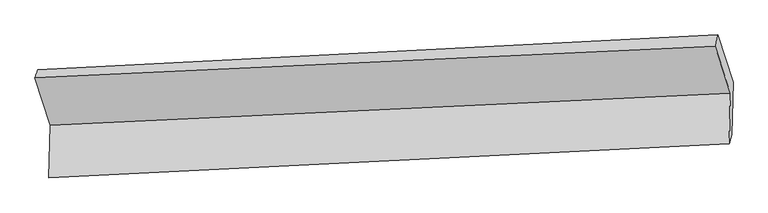
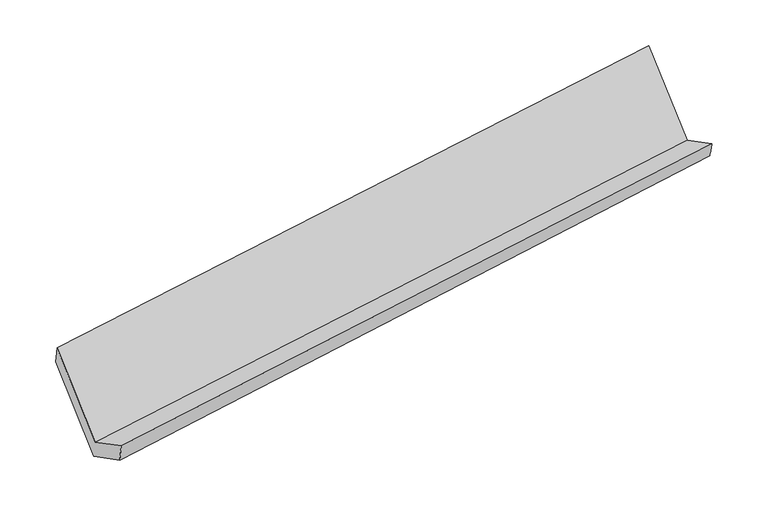
"""IFC4 building model written with IfcOpenShell, lengths in millimetres: proxy geometry."""

import ifcopenshell
import ifcopenshell.guid

model = None  # the IFC model being written
_history = None  # IfcOwnerHistory: only IFC2X3 demands one
_inside = {}  # id of a spatial element -> (the spatial element, [elements in it])
_under = {}  # id of a project, library or spatial element -> (it, [spatial elements below it])
_declared = {}  # id of a project -> (the project, [libraries it declares])
_typed = {}  # id of a type object -> (the type object, [elements of that type])
_made_of = {}  # id of a material, layer set ... -> (it, [elements and type objects made of it])


def new_model(schema):
    """Start an empty IFC model of exactly this schema.

    Asked for "IFC4X3", IfcOpenShell would pick the latest addendum, in which some entities
    have other attributes; the version numbers below select the first issue.
    IFC2X3 requires an IfcOwnerHistory on every rooted entity: one is made here for all.
    """
    global model, _history
    if schema == "IFC4X3":
        model = ifcopenshell.file(schema_version=(4, 3, 0, 0))
    else:
        model = ifcopenshell.file(schema=schema)
    _inside.clear()
    _under.clear()
    _declared.clear()
    _typed.clear()
    _made_of.clear()
    _history = None
    if model.schema == "IFC2X3":
        org = make("IfcOrganization", Name="unknown")
        user = make(
            "IfcPersonAndOrganization",
            ThePerson=make("IfcPerson", FamilyName="unknown"),
            TheOrganization=org,
        )
        app = make(
            "IfcApplication",
            ApplicationDeveloper=org,
            Version="unknown",
            ApplicationFullName="unknown",
            ApplicationIdentifier="unknown",
        )
        _history = make(
            "IfcOwnerHistory",
            OwningUser=user,
            OwningApplication=app,
            ChangeAction="ADDED",
            CreationDate=0,
        )
    return model


def make(cls, **values):
    """One entity of the class cls with the attributes given. An attribute that is None is left unset."""
    return model.create_entity(
        cls, **{name: value for name, value in values.items() if value is not None}
    )


def rooted(cls, **values):
    """An entity with a GlobalId (a new one), such as an element, a storey or a relation."""
    return make(cls, GlobalId=ifcopenshell.guid.new(), OwnerHistory=_history, **values)


def si_unit(unit_type, name, prefix=None):
    """IfcSIUnit, for example si_unit("LENGTHUNIT", "METRE", prefix="MILLI")."""
    return make("IfcSIUnit", UnitType=unit_type, Prefix=prefix, Name=name)


def assignment(units):
    """IfcUnitAssignment: the units of a project."""
    return None if units is None else make("IfcUnitAssignment", Units=units)


def point(xyz):
    """IfcCartesianPoint."""
    return None if xyz is None else make("IfcCartesianPoint", Coordinates=xyz)


def direction(xyz):
    """IfcDirection."""
    return None if xyz is None else make("IfcDirection", DirectionRatios=xyz)


def frame(location, z_axis=None, x_axis=None):
    """IfcAxis2Placement3D, a coordinate frame: its origin and axes. An axis left out is left unset."""
    return make(
        "IfcAxis2Placement3D",
        Location=point(location),
        Axis=direction(z_axis),
        RefDirection=direction(x_axis),
    )


def origin():
    """The frame at (0, 0, 0) with its axes left unset."""
    return frame((0.0, 0.0, 0.0))


def place(relative_to, where):
    """IfcLocalPlacement: puts the frame where relative to a parent placement (None: the world)."""
    return make(
        "IfcLocalPlacement", PlacementRelTo=relative_to, RelativePlacement=where
    )


def context(
    kind, dimensions, precision=None, world=None, true_north=None, identifier=None
):
    """IfcGeometricRepresentationContext, for example the 3D "Model" context."""
    return make(
        "IfcGeometricRepresentationContext",
        ContextIdentifier=identifier,
        ContextType=kind,
        CoordinateSpaceDimension=dimensions,
        Precision=precision,
        WorldCoordinateSystem=world,
        TrueNorth=true_north,
    )


def project(units=None, contexts=None):
    """IfcProject with its units and contexts."""
    return rooted(
        "IfcProject",
        Name="project",
        RepresentationContexts=contexts,
        UnitsInContext=assignment(units),
    )


def spatial(cls, under=None, at=None, **own):
    """A site, building, storey or space (cls), placed at a placement, below another one or the project."""
    s = rooted(cls, ObjectPlacement=at, **own)
    if under is not None:
        _under.setdefault(under.id(), (under, []))[1].append(s)
    return s


def shape(context_of_items, identifier, shape_type, items):
    """IfcShapeRepresentation: the items that make up one representation, for example the "Body"."""
    return make(
        "IfcShapeRepresentation",
        ContextOfItems=context_of_items,
        RepresentationIdentifier=identifier,
        RepresentationType=shape_type,
        Items=items,
    )


def source(mapping_origin, context_of_items, identifier, shape_type, items):
    """IfcRepresentationMap: a shape defined once, which mapped items show again and again."""
    return make(
        "IfcRepresentationMap",
        MappingOrigin=mapping_origin,
        MappedRepresentation=shape(context_of_items, identifier, shape_type, items),
    )


def transform(
    local_origin,
    x_axis=None,
    y_axis=None,
    z_axis=None,
    scale=None,
    scale2=None,
    scale3=None,
    uniform=True,
):
    """IfcCartesianTransformationOperator3D, or its non-uniform kind. x_axis, y_axis, z_axis: its Axis1, 2, 3."""
    if uniform:
        return make(
            "IfcCartesianTransformationOperator3D",
            Axis1=direction(x_axis),
            Axis2=direction(y_axis),
            LocalOrigin=point(local_origin),
            Scale=scale,
            Axis3=direction(z_axis),
        )
    return make(
        "IfcCartesianTransformationOperator3DnonUniform",
        Axis1=direction(x_axis),
        Axis2=direction(y_axis),
        LocalOrigin=point(local_origin),
        Scale=scale,
        Axis3=direction(z_axis),
        Scale2=scale2,
        Scale3=scale3,
    )


def mapped(mapping_source, mapping_target):
    """IfcMappedItem: shows the shape of a source again, moved by a transform."""
    return make(
        "IfcMappedItem", MappingSource=mapping_source, MappingTarget=mapping_target
    )


def made_of(thing, what):
    """Note that an element or type object is made of a material, layer set ...; save() writes the relation."""
    if what is not None:
        _made_of.setdefault(what.id(), (what, []))[1].append(thing)
    return thing


def element(
    cls,
    number,
    at=None,
    inside=None,
    cuts=None,
    type_object=None,
    material=None,
    context=None,
    identifier="Body",
    shape_type=None,
    held_by="IfcProductDefinitionShape",
    body=None,
    shapes=None,
    **own,
):
    """One element of the class cls, such as IfcWall. Its Tag is "e" and its number.

    at: its placement. inside: the storey or other place that contains it. cuts: it is an
    opening in that element (IfcRelVoidsElement). A single representation is given by context,
    identifier, shape_type and body (its items); several are given by shapes. held_by: the class
    of the entity that holds the representations. save() writes the other relations.
    """
    e = rooted(cls, Tag="e%d" % number, ObjectPlacement=at, **own)
    if body is not None:
        shapes = [shape(context, identifier, shape_type, body)]
    if shapes is not None:
        e.Representation = make(held_by, Representations=shapes)
    if inside is not None:
        _inside.setdefault(inside.id(), (inside, []))[1].append(e)
    if cuts is not None:
        rooted(
            "IfcRelVoidsElement", RelatingBuildingElement=cuts, RelatedOpeningElement=e
        )
    if type_object is not None:
        _typed.setdefault(type_object.id(), (type_object, []))[1].append(e)
    return made_of(e, material)


def aggregate(whole, parts):
    """IfcRelAggregates: a whole, such as a stair, and the parts it consists of."""
    return rooted("IfcRelAggregates", RelatingObject=whole, RelatedObjects=parts)


def save(model, path):
    """Write the relations noted so far, then the file.

    IfcRelAggregates (storeys below a building ...), IfcRelContainedInSpatialStructure (elements
    in a storey), IfcRelDefinesByType, IfcRelAssociatesMaterial and IfcRelDeclares: one each for
    every whole, place, type object, material and project.
    """
    for whole, parts in _under.values():
        aggregate(whole, parts)
    for where, things in _inside.values():
        rooted(
            "IfcRelContainedInSpatialStructure",
            RelatedElements=things,
            RelatingStructure=where,
        )
    for kind, things in _typed.values():
        rooted("IfcRelDefinesByType", RelatedObjects=things, RelatingType=kind)
    for what, things in _made_of.values():
        rooted("IfcRelAssociatesMaterial", RelatedObjects=things, RelatingMaterial=what)
    for by, libraries in _declared.values():
        rooted("IfcRelDeclares", RelatingContext=by, RelatedDefinitions=libraries)
    model.write(path)


def plane_surface(at):
    """IfcPlane: the flat surface through the origin of the frame at, square to its z axis."""
    return make("IfcPlane", Position=at)


def spline_surface(u_degree, v_degree, points, u_multiplicities, v_multiplicities, u_knots, v_knots, weights=None):
    """IfcBSplineSurfaceWithKnots; with weights, IfcRationalBSplineSurfaceWithKnots. points: one row for each step in u."""
    own = dict(
        UDegree=u_degree,
        VDegree=v_degree,
        ControlPointsList=[[point(p) for p in row] for row in points],
        SurfaceForm="UNSPECIFIED",
        UClosed=False,
        VClosed=False,
        SelfIntersect=False,
        UMultiplicities=u_multiplicities,
        VMultiplicities=v_multiplicities,
        UKnots=u_knots,
        VKnots=v_knots,
        KnotSpec="UNSPECIFIED",
    )
    if weights is None:
        return make("IfcBSplineSurfaceWithKnots", **own)
    return make("IfcRationalBSplineSurfaceWithKnots", WeightsData=weights, **own)


def advanced_brep(points, edges, surfaces, faces):
    """IfcAdvancedBrep: a solid bounded by faces that lie on surfaces and meet in shared edges.

    An edge is (start, end): straight between two places in points (the first is 0);
    or (start, end, curve); or (start, end, curve, False) where it runs against its curve.
    A face is (place in surfaces, loops), or (place, loops, False) where it looks against
    its surface's normal. A loop lists edges by number (the first is 1), with a minus sign
    where the edge is run from its end to its start. The first loop is the outer one.
    """
    corners = [point(p) for p in points]
    vertices = [make("IfcVertexPoint", VertexGeometry=c) for c in corners]
    made = []
    for start, end, *more in edges:
        made.append(
            make(
                "IfcEdgeCurve",
                EdgeStart=vertices[start],
                EdgeEnd=vertices[end],
                EdgeGeometry=more[0] if more else make("IfcPolyline", Points=[corners[start], corners[end]]),
                SameSense=more[1] if len(more) > 1 else True,
            )
        )
    hull = []
    for where, loops, *sense in faces:
        bounds = []
        for j, loop in enumerate(loops):
            ring = [make("IfcOrientedEdge", EdgeElement=made[abs(k) - 1], Orientation=k > 0) for k in loop]
            bounds.append(
                make(
                    "IfcFaceOuterBound" if j == 0 else "IfcFaceBound",
                    Bound=make("IfcEdgeLoop", EdgeList=ring),
                    Orientation=True,
                )
            )
        hull.append(make("IfcAdvancedFace", Bounds=bounds, FaceSurface=surfaces[where], SameSense=sense[0] if sense else True))
    return make("IfcAdvancedBrep", Outer=make("IfcClosedShell", CfsFaces=hull))


def generic_models_0fa51258(model_context):
    return source(origin(), model_context, "Body", "AdvancedBrep", [
        advanced_brep(
        [(-5057.9562798, -1629.665549, 1421.1292593), (-5067.0864681, -1974.3883683, 1603.3596961), (-617.4895728, -1751.9992076, 2246.9858545), (-608.7105166, -1420.5338638, 2071.763702), (-5047.8530342, -1922.9400359, 1455.1391725), (-600.5473757, -1693.5755497, 2111.8456622), (-5038.7603113, -1579.6317738, 1273.6565114), (-591.4546528, -1350.2672875, 1930.3630011), (-5140.5154989, -1269.8534202, 1854.5617938), (-693.2098404, -1040.488934, 2511.2682834), (-5158.9466875, -1322.2154529, 1997.6685263), (-709.7009243, -1113.0837677, 2648.302969)],
        [
            (0, 1),
            (1, 2),
            (2, 3),
            (3, 0),
            (1, 4),
            (4, 5),
            (5, 2),
            (4, 6),
            (6, 7),
            (7, 5),
            (6, 8),
            (8, 9),
            (9, 7),
            (8, 10),
            (10, 11),
            (11, 9),
            (10, 0),
            (3, 11),
        ],
        [
            plane_surface(frame((-5062.5213739, -1802.0269586, 1512.2444777), z_axis=(-0.1494560060574575, 0.46518891987390787, 0.8725033931623994), x_axis=(-0.023408806724772836, -0.8838316991856772, 0.4672189586075045))),
            spline_surface(1, 1, [[(-5067.0864681, -1974.3883683, 1603.3596961), (-617.4895728, -1751.9992076, 2246.9858545)], [(-5047.8530342, -1922.9400359, 1455.1391725), (-600.5473757, -1693.5755497, 2111.8456622)]], [2, 2], [2, 2], [0.0, 1.0], [0.0, 1.0]),
            plane_surface(frame((-5043.3066727, -1751.2859048, 1364.397842), z_axis=(0.1527491204758485, -0.4650217070148354, -0.8720220858435087), x_axis=(0.02340880672477307, 0.8838316991856772, -0.4672189586075044))),
            plane_surface(frame((-5089.6379051, -1424.742597, 1564.1091526), z_axis=(0.023408806724773357, 0.8838316991856769, -0.46721895860750506), x_axis=(-0.15274912047583952, 0.46502170701483647, 0.8720220858435096))),
            spline_surface(1, 1, [[(-5140.5154989, -1269.8534202, 1854.5617938), (-693.2098404, -1040.488934, 2511.2682834)], [(-5158.9466875, -1322.2154529, 1997.6685263), (-709.7009243, -1113.0837677, 2648.302969)]], [2, 2], [2, 2], [0.0, 1.0], [0.0, 1.0]),
            plane_surface(frame((-5108.4514836, -1475.9405009, 1709.3988928), z_axis=(-0.026700943095023258, -0.8839965867657237, 0.46673021567538037), x_axis=(0.15274912047584466, -0.465021707014828, -0.8720220858435132))),
            plane_surface(frame((-636.8521471, -1394.9914351, 2253.4215787), z_axis=(0.987987719539862, 0.05095428852966841, 0.14589011796163015), x_axis=(-0.1057458205471911, -0.46550004372906856, 0.8787078756475536))),
            plane_surface(frame((-5085.18638, -1616.4491, 1600.9191599), z_axis=(-0.9879877195398628, -0.050954288529679634, -0.1458901179616206), x_axis=(-0.15274912047584144, 0.4650217070148282, 0.8720220858435136))),
        ],
        [
            (0, [[1, 2, 3, 4]]),
            (1, [[5, 6, 7, -2]]),
            (2, [[8, 9, 10, -6]]),
            (3, [[11, 12, 13, -9]]),
            (4, [[14, 15, 16, -12]]),
            (5, [[17, -4, 18, -15]]),
            (6, [[-16, -18, -3, -7, -10, -13]]),
            (7, [[-17, -14, -11, -8, -5, -1]]),
        ],
    ),
    ])


if __name__ == "__main__":
    model = new_model("IFC4")
    model_context = context("Model", 3, world=origin())
    ifc_project = project(units=[si_unit("LENGTHUNIT", "METRE", prefix="MILLI")], contexts=[model_context])
    site = spatial("IfcSite", under=ifc_project)
    building = spatial("IfcBuilding", under=site)
    placement = place(None, origin())
    generic_models_shape = generic_models_0fa51258(model_context)
    element("IfcBuildingElementProxy", 1, Name="Generic Models", at=placement, inside=building, context=model_context, shape_type="MappedRepresentation", body=[
        mapped(generic_models_shape, transform((0.0, 0.0, 0.0), x_axis=(1.0, 0.0, 0.0), y_axis=(0.0, 1.0, 0.0), z_axis=(0.0, 0.0, 1.0))),
    ])
    save(model, "model.ifc")
